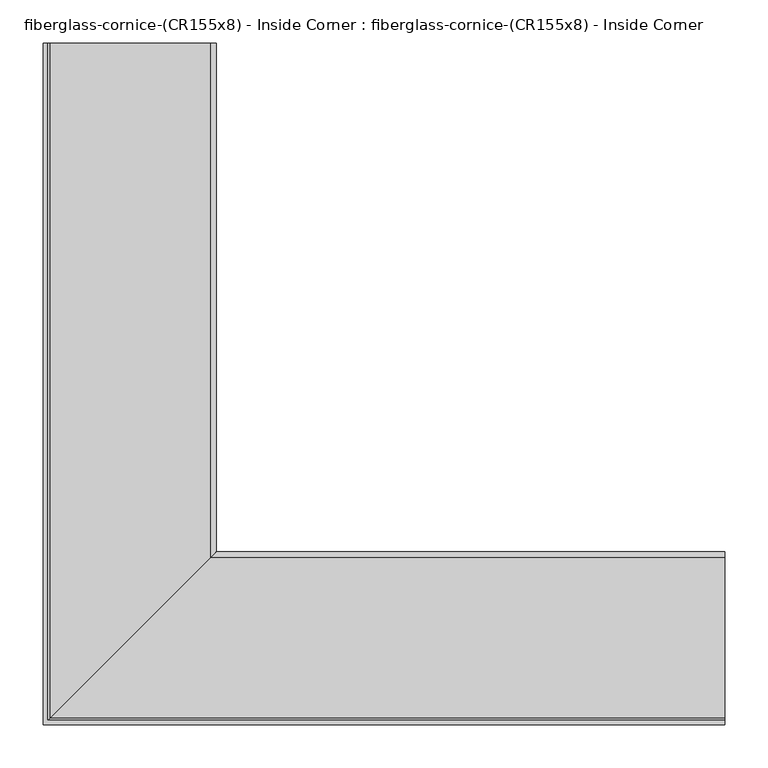
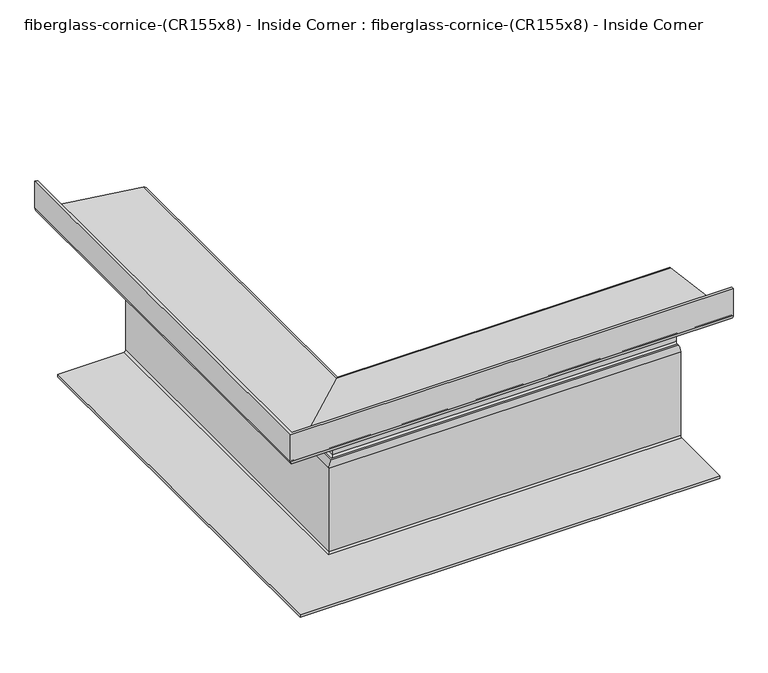
"""IFC4 building model written with IfcOpenShell, lengths in millimetres: furniture geometry, fiberglass-cornice-(CR155x8) - Inside Corner : fiberglass-cornice-(CR155x8) - Inside Corner."""

import ifcopenshell
import ifcopenshell.guid

model = None  # the IFC model being written
_history = None  # IfcOwnerHistory: only IFC2X3 demands one
_inside = {}  # id of a spatial element -> (the spatial element, [elements in it])
_under = {}  # id of a project, library or spatial element -> (it, [spatial elements below it])
_declared = {}  # id of a project -> (the project, [libraries it declares])
_typed = {}  # id of a type object -> (the type object, [elements of that type])
_made_of = {}  # id of a material, layer set ... -> (it, [elements and type objects made of it])


def new_model(schema):
    """Start an empty IFC model of exactly this schema.

    Asked for "IFC4X3", IfcOpenShell would pick the latest addendum, in which some entities
    have other attributes; the version numbers below select the first issue.
    IFC2X3 requires an IfcOwnerHistory on every rooted entity: one is made here for all.
    """
    global model, _history
    if schema == "IFC4X3":
        model = ifcopenshell.file(schema_version=(4, 3, 0, 0))
    else:
        model = ifcopenshell.file(schema=schema)
    _inside.clear()
    _under.clear()
    _declared.clear()
    _typed.clear()
    _made_of.clear()
    _history = None
    if model.schema == "IFC2X3":
        org = make("IfcOrganization", Name="unknown")
        user = make(
            "IfcPersonAndOrganization",
            ThePerson=make("IfcPerson", FamilyName="unknown"),
            TheOrganization=org,
        )
        app = make(
            "IfcApplication",
            ApplicationDeveloper=org,
            Version="unknown",
            ApplicationFullName="unknown",
            ApplicationIdentifier="unknown",
        )
        _history = make(
            "IfcOwnerHistory",
            OwningUser=user,
            OwningApplication=app,
            ChangeAction="ADDED",
            CreationDate=0,
        )
    return model


def make(cls, **values):
    """One entity of the class cls with the attributes given. An attribute that is None is left unset."""
    return model.create_entity(
        cls, **{name: value for name, value in values.items() if value is not None}
    )


def rooted(cls, **values):
    """An entity with a GlobalId (a new one), such as an element, a storey or a relation."""
    return make(cls, GlobalId=ifcopenshell.guid.new(), OwnerHistory=_history, **values)


def si_unit(unit_type, name, prefix=None):
    """IfcSIUnit, for example si_unit("LENGTHUNIT", "METRE", prefix="MILLI")."""
    return make("IfcSIUnit", UnitType=unit_type, Prefix=prefix, Name=name)


def assignment(units):
    """IfcUnitAssignment: the units of a project."""
    return None if units is None else make("IfcUnitAssignment", Units=units)


def point(xyz):
    """IfcCartesianPoint."""
    return None if xyz is None else make("IfcCartesianPoint", Coordinates=xyz)


def direction(xyz):
    """IfcDirection."""
    return None if xyz is None else make("IfcDirection", DirectionRatios=xyz)


def frame(location, z_axis=None, x_axis=None):
    """IfcAxis2Placement3D, a coordinate frame: its origin and axes. An axis left out is left unset."""
    return make(
        "IfcAxis2Placement3D",
        Location=point(location),
        Axis=direction(z_axis),
        RefDirection=direction(x_axis),
    )


def origin():
    """The frame at (0, 0, 0) with its axes left unset."""
    return frame((0.0, 0.0, 0.0))


def place(relative_to, where):
    """IfcLocalPlacement: puts the frame where relative to a parent placement (None: the world)."""
    return make(
        "IfcLocalPlacement", PlacementRelTo=relative_to, RelativePlacement=where
    )


def context(
    kind, dimensions, precision=None, world=None, true_north=None, identifier=None
):
    """IfcGeometricRepresentationContext, for example the 3D "Model" context."""
    return make(
        "IfcGeometricRepresentationContext",
        ContextIdentifier=identifier,
        ContextType=kind,
        CoordinateSpaceDimension=dimensions,
        Precision=precision,
        WorldCoordinateSystem=world,
        TrueNorth=true_north,
    )


def project(units=None, contexts=None):
    """IfcProject with its units and contexts."""
    return rooted(
        "IfcProject",
        Name="project",
        RepresentationContexts=contexts,
        UnitsInContext=assignment(units),
    )


def spatial(cls, under=None, at=None, **own):
    """A site, building, storey or space (cls), placed at a placement, below another one or the project."""
    s = rooted(cls, ObjectPlacement=at, **own)
    if under is not None:
        _under.setdefault(under.id(), (under, []))[1].append(s)
    return s


def polyline(points):
    """IfcPolyline through the points."""
    return make("IfcPolyline", Points=[point(p) for p in points])


def circle_curve(where, radius):
    """IfcCircle in the frame where."""
    return make("IfcCircle", Position=where, Radius=radius)


def ellipse_curve(where, semi_axis1, semi_axis2):
    """IfcEllipse in the frame where."""
    return make(
        "IfcEllipse", Position=where, SemiAxis1=semi_axis1, SemiAxis2=semi_axis2
    )


def shape(context_of_items, identifier, shape_type, items):
    """IfcShapeRepresentation: the items that make up one representation, for example the "Body"."""
    return make(
        "IfcShapeRepresentation",
        ContextOfItems=context_of_items,
        RepresentationIdentifier=identifier,
        RepresentationType=shape_type,
        Items=items,
    )


def source(mapping_origin, context_of_items, identifier, shape_type, items):
    """IfcRepresentationMap: a shape defined once, which mapped items show again and again."""
    return make(
        "IfcRepresentationMap",
        MappingOrigin=mapping_origin,
        MappedRepresentation=shape(context_of_items, identifier, shape_type, items),
    )


def transform(
    local_origin,
    x_axis=None,
    y_axis=None,
    z_axis=None,
    scale=None,
    scale2=None,
    scale3=None,
    uniform=True,
):
    """IfcCartesianTransformationOperator3D, or its non-uniform kind. x_axis, y_axis, z_axis: its Axis1, 2, 3."""
    if uniform:
        return make(
            "IfcCartesianTransformationOperator3D",
            Axis1=direction(x_axis),
            Axis2=direction(y_axis),
            LocalOrigin=point(local_origin),
            Scale=scale,
            Axis3=direction(z_axis),
        )
    return make(
        "IfcCartesianTransformationOperator3DnonUniform",
        Axis1=direction(x_axis),
        Axis2=direction(y_axis),
        LocalOrigin=point(local_origin),
        Scale=scale,
        Axis3=direction(z_axis),
        Scale2=scale2,
        Scale3=scale3,
    )


def mapped(mapping_source, mapping_target):
    """IfcMappedItem: shows the shape of a source again, moved by a transform."""
    return make(
        "IfcMappedItem", MappingSource=mapping_source, MappingTarget=mapping_target
    )


def made_of(thing, what):
    """Note that an element or type object is made of a material, layer set ...; save() writes the relation."""
    if what is not None:
        _made_of.setdefault(what.id(), (what, []))[1].append(thing)
    return thing


def element(
    cls,
    number,
    at=None,
    inside=None,
    cuts=None,
    type_object=None,
    material=None,
    context=None,
    identifier="Body",
    shape_type=None,
    held_by="IfcProductDefinitionShape",
    body=None,
    shapes=None,
    **own,
):
    """One element of the class cls, such as IfcWall. Its Tag is "e" and its number.

    at: its placement. inside: the storey or other place that contains it. cuts: it is an
    opening in that element (IfcRelVoidsElement). A single representation is given by context,
    identifier, shape_type and body (its items); several are given by shapes. held_by: the class
    of the entity that holds the representations. save() writes the other relations.
    """
    e = rooted(cls, Tag="e%d" % number, ObjectPlacement=at, **own)
    if body is not None:
        shapes = [shape(context, identifier, shape_type, body)]
    if shapes is not None:
        e.Representation = make(held_by, Representations=shapes)
    if inside is not None:
        _inside.setdefault(inside.id(), (inside, []))[1].append(e)
    if cuts is not None:
        rooted(
            "IfcRelVoidsElement", RelatingBuildingElement=cuts, RelatedOpeningElement=e
        )
    if type_object is not None:
        _typed.setdefault(type_object.id(), (type_object, []))[1].append(e)
    return made_of(e, material)


def aggregate(whole, parts):
    """IfcRelAggregates: a whole, such as a stair, and the parts it consists of."""
    return rooted("IfcRelAggregates", RelatingObject=whole, RelatedObjects=parts)


def save(model, path):
    """Write the relations noted so far, then the file.

    IfcRelAggregates (storeys below a building ...), IfcRelContainedInSpatialStructure (elements
    in a storey), IfcRelDefinesByType, IfcRelAssociatesMaterial and IfcRelDeclares: one each for
    every whole, place, type object, material and project.
    """
    for whole, parts in _under.values():
        aggregate(whole, parts)
    for where, things in _inside.values():
        rooted(
            "IfcRelContainedInSpatialStructure",
            RelatedElements=things,
            RelatingStructure=where,
        )
    for kind, things in _typed.values():
        rooted("IfcRelDefinesByType", RelatedObjects=things, RelatingType=kind)
    for what, things in _made_of.values():
        rooted("IfcRelAssociatesMaterial", RelatedObjects=things, RelatingMaterial=what)
    for by, libraries in _declared.values():
        rooted("IfcRelDeclares", RelatingContext=by, RelatedDefinitions=libraries)
    model.write(path)


def plane_surface(at):
    """IfcPlane: the flat surface through the origin of the frame at, square to its z axis."""
    return make("IfcPlane", Position=at)


def cylinder_surface(at, radius):
    """IfcCylindricalSurface: all points at the distance radius from the z axis of the frame at."""
    return make("IfcCylindricalSurface", Position=at, Radius=radius)


def revolved_surface(curve, axis_point, axis_direction):
    """IfcSurfaceOfRevolution: the curve turned about the line through axis_point along axis_direction."""
    return make(
        "IfcSurfaceOfRevolution",
        SweptCurve=make("IfcArbitraryOpenProfileDef", ProfileType="CURVE", Curve=curve),
        AxisPosition=make("IfcAxis1Placement", Location=point(axis_point), Axis=direction(axis_direction)),
    )


def advanced_brep(points, edges, surfaces, faces):
    """IfcAdvancedBrep: a solid bounded by faces that lie on surfaces and meet in shared edges.

    An edge is (start, end): straight between two places in points (the first is 0);
    or (start, end, curve); or (start, end, curve, False) where it runs against its curve.
    A face is (place in surfaces, loops), or (place, loops, False) where it looks against
    its surface's normal. A loop lists edges by number (the first is 1), with a minus sign
    where the edge is run from its end to its start. The first loop is the outer one.
    """
    corners = [point(p) for p in points]
    vertices = [make("IfcVertexPoint", VertexGeometry=c) for c in corners]
    made = []
    for start, end, *more in edges:
        made.append(
            make(
                "IfcEdgeCurve",
                EdgeStart=vertices[start],
                EdgeEnd=vertices[end],
                EdgeGeometry=more[0] if more else make("IfcPolyline", Points=[corners[start], corners[end]]),
                SameSense=more[1] if len(more) > 1 else True,
            )
        )
    hull = []
    for where, loops, *sense in faces:
        bounds = []
        for j, loop in enumerate(loops):
            ring = [make("IfcOrientedEdge", EdgeElement=made[abs(k) - 1], Orientation=k > 0) for k in loop]
            bounds.append(
                make(
                    "IfcFaceOuterBound" if j == 0 else "IfcFaceBound",
                    Bound=make("IfcEdgeLoop", EdgeList=ring),
                    Orientation=True,
                )
            )
        hull.append(make("IfcAdvancedFace", Bounds=bounds, FaceSurface=surfaces[where], SameSense=sense[0] if sense else True))
    return make("IfcAdvancedBrep", Outer=make("IfcClosedShell", CfsFaces=hull))


def fiberglass_cornice_cr155x8_inside_corner_fiberglass_cornice_0ee23426(model_context):
    return source(origin(), model_context, "Body", "AdvancedBrep", [
        advanced_brep(
        [(-388.8685293, 888.603125, 330.1999904), (-388.8685293, 888.603125, 279.5805109), (-386.1097893, 888.603125, 276.4329162), (-201.0245885, 888.603125, 251.9559474), (-194.0678157, 888.603125, 244.0185913), (-194.0678157, 888.603125, 210.0445639), (-202.0742803, 888.603125, 202.0380993), (-203.7779392, 888.603125, 202.0380993), (-203.7779392, 888.603125, 205.2130993), (-206.7678157, 888.603125, 205.2130993), (-206.7678157, 888.603125, 202.0380993), (-209.9058113, 888.603125, 202.0380993), (-213.0808113, 888.603125, 198.8630993), (-213.0808113, 888.603125, 124.2598077), (-221.0872759, 888.603125, 116.2533432), (-224.1933101, 888.603125, 116.2533432), (-227.3683101, 888.603125, 113.0783432), (-227.3683101, 888.603125, -43.9554119), (-235.3747747, 888.603125, -51.9618765), (-352.7808101, 888.603125, -51.9618765), (-352.7808101, 888.603125, -47.1304119), (-235.3747747, 888.603125, -47.1304119), (-232.1997747, 888.603125, -43.9554119), (-232.1997747, 888.603125, 113.0783432), (-224.1933101, 888.603125, 121.0848077), (-221.0872759, 888.603125, 121.0848077), (-217.9122759, 888.603125, 124.2598077), (-217.9122759, 888.603125, 203.6945639), (-209.9058113, 888.603125, 211.7010285), (-202.0742803, 888.603125, 211.7010285), (-198.8992803, 888.603125, 214.8760285), (-198.8992803, 888.603125, 244.0185913), (-201.6580202, 888.603125, 247.166186), (-386.7432211, 888.603125, 271.6431548), (-393.6999938, 888.603125, 279.5805109), (-393.6999938, 888.603125, 330.1999904), (393.6999938, 106.0345896, 330.1999904), (393.6999938, 101.203125, 330.1999904), (393.6999938, 101.203125, 279.5805109), (393.6999938, 108.1598978, 271.6431548), (393.6999938, 293.2450986, 247.166186), (393.6999938, 296.0038386, 244.0185913), (393.6999938, 296.0038386, 214.8760285), (393.6999938, 292.8288386, 211.7010285), (393.6999938, 284.9973076, 211.7010285), (393.6999938, 276.990843, 203.6945639), (393.6999938, 276.990843, 124.2598077), (393.6999938, 273.815843, 121.0848077), (393.6999938, 270.7098087, 121.0848077), (393.6999938, 262.7033442, 113.0783432), (393.6999938, 262.7033442, -43.9554119), (393.6999938, 259.5283442, -47.1304119), (393.6999938, 142.1223087, -47.1304119), (393.6999938, 142.1223087, -51.9618765), (393.6999938, 259.5283442, -51.9618765), (393.6999938, 267.5348087, -43.9554119), (393.6999938, 267.5348087, 113.0783432), (393.6999938, 270.7098087, 116.2533432), (393.6999938, 273.815843, 116.2533432), (393.6999938, 281.8223076, 124.2598077), (393.6999938, 281.8223076, 198.8630993), (393.6999938, 284.9973076, 202.0380993), (393.6999938, 288.1353031, 202.0380993), (393.6999938, 288.1353031, 205.2130993), (393.6999938, 291.1251796, 205.2130993), (393.6999938, 291.1251796, 202.0380993), (393.6999938, 292.8288386, 202.0380993), (393.6999938, 300.8353031, 210.0445639), (393.6999938, 300.8353031, 244.0185913), (393.6999938, 293.8785304, 251.9559474), (393.6999938, 108.7933295, 276.4329162), (393.6999938, 106.0345896, 279.5805109), (-388.8685293, 106.0345896, 330.1999904), (-388.8685293, 106.0345896, 279.5805109), (-386.1097893, 108.7933295, 276.4329162), (-201.0245885, 293.8785304, 251.9559474), (-194.0678157, 300.8353031, 244.0185913), (-194.0678157, 300.8353031, 210.0445639), (-202.0742803, 292.8288386, 202.0380993), (-203.7779392, 291.1251796, 202.0380993), (-203.7779392, 291.1251796, 205.2130993), (-206.7678157, 288.1353031, 205.2130993), (-206.7678157, 288.1353031, 202.0380993), (-209.9058113, 284.9973076, 202.0380993), (-213.0808113, 281.8223076, 198.8630993), (-213.0808113, 281.8223076, 124.2598077), (-221.0872759, 273.815843, 116.2533432), (-224.1933101, 270.7098087, 116.2533432), (-227.3683101, 267.5348087, 113.0783432), (-227.3683101, 267.5348087, -43.9554119), (-235.3747747, 259.5283442, -51.9618765), (-352.7808101, 142.1223087, -51.9618765), (-352.7808101, 142.1223087, -47.1304119), (-235.3747747, 259.5283442, -47.1304119), (-232.1997747, 262.7033442, -43.9554119), (-232.1997747, 262.7033442, 113.0783432), (-224.1933101, 270.7098087, 121.0848077), (-221.0872759, 273.815843, 121.0848077), (-217.9122759, 276.990843, 124.2598077), (-217.9122759, 276.990843, 203.6945639), (-209.9058113, 284.9973076, 211.7010285), (-202.0742803, 292.8288386, 211.7010285), (-198.8992803, 296.0038386, 214.8760285), (-198.8992803, 296.0038386, 244.0185913), (-201.6580202, 293.2450986, 247.166186), (-386.7432211, 108.1598978, 271.6431548), (-393.6999938, 101.203125, 279.5805109), (-393.6999938, 101.203125, 330.1999904)],
        [
            (0, 1),
            (1, 2, circle_curve(frame((-385.6935293, 888.603125, 279.5805109), z_axis=(0.0, -1.0, 0.0), x_axis=(1.0, 0.0, 0.0)), 3.175)),
            (2, 3),
            (3, 4, circle_curve(frame((-202.0742803, 888.603125, 244.0185913), z_axis=(0.0, 1.0, 0.0), x_axis=(1.0, 0.0, 0.0)), 8.0064646)),
            (4, 5),
            (5, 6, circle_curve(frame((-202.0742803, 888.603125, 210.0445639), z_axis=(0.0, 1.0, 0.0), x_axis=(1.0, 0.0, 0.0)), 8.0064646)),
            (6, 7),
            (7, 8),
            (8, 9),
            (9, 10),
            (10, 11),
            (11, 12, circle_curve(frame((-209.9058113, 888.603125, 198.8630993), z_axis=(0.0, -1.0, 0.0), x_axis=(1.0, 0.0, 0.0)), 3.175)),
            (12, 13),
            (13, 14, circle_curve(frame((-221.0872759, 888.603125, 124.2598077), z_axis=(0.0, 1.0, 0.0), x_axis=(1.0, 0.0, 0.0)), 8.0064646)),
            (14, 15),
            (15, 16, circle_curve(frame((-224.1933101, 888.603125, 113.0783432), z_axis=(0.0, -1.0, 0.0), x_axis=(1.0, 0.0, 0.0)), 3.175)),
            (16, 17),
            (17, 18, circle_curve(frame((-235.3747747, 888.603125, -43.9554119), z_axis=(0.0, 1.0, 0.0), x_axis=(1.0, 0.0, 0.0)), 8.0064646)),
            (18, 19),
            (19, 20),
            (20, 21),
            (21, 22, circle_curve(frame((-235.3747747, 888.603125, -43.9554119), z_axis=(0.0, -1.0, 0.0), x_axis=(1.0, 0.0, 0.0)), 3.175)),
            (22, 23),
            (23, 24, circle_curve(frame((-224.1933101, 888.603125, 113.0783432), z_axis=(0.0, 1.0, 0.0), x_axis=(1.0, 0.0, 0.0)), 8.0064646)),
            (24, 25),
            (25, 26, circle_curve(frame((-221.0872759, 888.603125, 124.2598077), z_axis=(0.0, -1.0, 0.0), x_axis=(1.0, 0.0, 0.0)), 3.175)),
            (26, 27),
            (27, 28, circle_curve(frame((-209.9058113, 888.603125, 203.6945639), z_axis=(0.0, 1.0, 0.0), x_axis=(1.0, 0.0, 0.0)), 8.0064646)),
            (28, 29),
            (29, 30, circle_curve(frame((-202.0742803, 888.603125, 214.8760285), z_axis=(0.0, -1.0, 0.0), x_axis=(1.0, 0.0, 0.0)), 3.175)),
            (30, 31),
            (31, 32, circle_curve(frame((-202.0742803, 888.603125, 244.0185913), z_axis=(0.0, -1.0, 0.0), x_axis=(1.0, 0.0, 0.0)), 3.175)),
            (32, 33),
            (33, 34, circle_curve(frame((-385.6935293, 888.603125, 279.5805109), z_axis=(0.0, 1.0, 0.0), x_axis=(1.0, 0.0, 0.0)), 8.0064646)),
            (34, 35),
            (35, 0),
            (36, 37),
            (37, 38),
            (38, 39, circle_curve(frame((393.6999938, 109.2095896, 279.5805109), z_axis=(1.0, 0.0, 0.0), x_axis=(0.0, 1.0, 0.0)), 8.0064646)),
            (39, 40),
            (40, 41, circle_curve(frame((393.6999938, 292.8288386, 244.0185913), z_axis=(-1.0, 0.0, 0.0), x_axis=(0.0, 1.0, 0.0)), 3.175)),
            (41, 42),
            (42, 43, circle_curve(frame((393.6999938, 292.8288386, 214.8760285), z_axis=(-1.0, 0.0, 0.0), x_axis=(0.0, 1.0, 0.0)), 3.175)),
            (43, 44),
            (44, 45, circle_curve(frame((393.6999938, 284.9973076, 203.6945639), z_axis=(1.0, 0.0, 0.0), x_axis=(0.0, 1.0, 0.0)), 8.0064646)),
            (45, 46),
            (46, 47, circle_curve(frame((393.6999938, 273.815843, 124.2598077), z_axis=(-1.0, 0.0, 0.0), x_axis=(0.0, 1.0, 0.0)), 3.175)),
            (47, 48),
            (48, 49, circle_curve(frame((393.6999938, 270.7098087, 113.0783432), z_axis=(1.0, 0.0, 0.0), x_axis=(0.0, 1.0, 0.0)), 8.0064646)),
            (49, 50),
            (50, 51, circle_curve(frame((393.6999938, 259.5283442, -43.9554119), z_axis=(-1.0, 0.0, 0.0), x_axis=(0.0, 1.0, 0.0)), 3.175)),
            (51, 52),
            (52, 53),
            (53, 54),
            (54, 55, circle_curve(frame((393.6999938, 259.5283442, -43.9554119), z_axis=(1.0, 0.0, 0.0), x_axis=(0.0, 1.0, 0.0)), 8.0064646)),
            (55, 56),
            (56, 57, circle_curve(frame((393.6999938, 270.7098087, 113.0783432), z_axis=(-1.0, 0.0, 0.0), x_axis=(0.0, 1.0, 0.0)), 3.175)),
            (57, 58),
            (58, 59, circle_curve(frame((393.6999938, 273.815843, 124.2598077), z_axis=(1.0, 0.0, 0.0), x_axis=(0.0, 1.0, 0.0)), 8.0064646)),
            (59, 60),
            (60, 61, circle_curve(frame((393.6999938, 284.9973076, 198.8630993), z_axis=(-1.0, 0.0, 0.0), x_axis=(0.0, 1.0, 0.0)), 3.175)),
            (61, 62),
            (62, 63),
            (63, 64),
            (64, 65),
            (65, 66),
            (66, 67, circle_curve(frame((393.6999938, 292.8288386, 210.0445639), z_axis=(1.0, 0.0, 0.0), x_axis=(0.0, 1.0, 0.0)), 8.0064646)),
            (67, 68),
            (68, 69, circle_curve(frame((393.6999938, 292.8288386, 244.0185913), z_axis=(1.0, 0.0, 0.0), x_axis=(0.0, 1.0, 0.0)), 8.0064646)),
            (69, 70),
            (70, 71, circle_curve(frame((393.6999938, 109.2095896, 279.5805109), z_axis=(-1.0, 0.0, 0.0), x_axis=(0.0, 1.0, 0.0)), 3.175)),
            (71, 36),
            (0, 72),
            (72, 73),
            (73, 1),
            (73, 74, ellipse_curve(frame((-385.6935293, 109.2095896, 279.5805109), z_axis=(0.7071067811865475, -0.7071067811865475, 0.0), x_axis=(-0.7071067811865474, -0.7071067811865476, 0.0)), 4.4901281, 3.175)),
            (74, 2),
            (74, 75),
            (75, 3),
            (75, 76, ellipse_curve(frame((-202.0742803, 292.8288386, 244.0185913), z_axis=(-0.7071067811865475, 0.7071067811865475, 0.0), x_axis=(0.7071067811865474, 0.7071067811865476, 0.0)), 11.3228508, 8.0064646)),
            (76, 4),
            (76, 77),
            (77, 5),
            (77, 78, ellipse_curve(frame((-202.0742803, 292.8288386, 210.0445639), z_axis=(-0.7071067811865475, 0.7071067811865475, 0.0), x_axis=(0.7071067811865474, 0.7071067811865476, 0.0)), 11.3228508, 8.0064646)),
            (78, 6),
            (78, 66),
            (65, 79),
            (79, 7),
            (79, 80),
            (80, 8),
            (80, 64),
            (63, 81),
            (81, 9),
            (81, 82),
            (82, 10),
            (82, 62),
            (61, 83),
            (83, 11),
            (83, 84, ellipse_curve(frame((-209.9058113, 284.9973076, 198.8630993), z_axis=(0.7071067811865475, -0.7071067811865475, 0.0), x_axis=(-0.7071067811865474, -0.7071067811865476, 0.0)), 4.4901281, 3.175)),
            (84, 12),
            (84, 85),
            (85, 13),
            (85, 86, ellipse_curve(frame((-221.0872759, 273.815843, 124.2598077), z_axis=(-0.7071067811865475, 0.7071067811865475, 0.0), x_axis=(0.7071067811865474, 0.7071067811865476, 0.0)), 11.3228508, 8.0064646)),
            (86, 14),
            (86, 58),
            (57, 87),
            (87, 15),
            (87, 88, ellipse_curve(frame((-224.1933101, 270.7098087, 113.0783432), z_axis=(0.7071067811865475, -0.7071067811865475, 0.0), x_axis=(-0.7071067811865474, -0.7071067811865476, 0.0)), 4.4901281, 3.175)),
            (88, 16),
            (88, 89),
            (89, 17),
            (89, 90, ellipse_curve(frame((-235.3747747, 259.5283442, -43.9554119), z_axis=(-0.7071067811865475, 0.7071067811865475, 0.0), x_axis=(0.7071067811865474, 0.7071067811865476, 0.0)), 11.3228508, 8.0064646)),
            (90, 18),
            (90, 54),
            (53, 91),
            (91, 19),
            (91, 92),
            (92, 20),
            (92, 52),
            (51, 93),
            (93, 21),
            (93, 94, ellipse_curve(frame((-235.3747747, 259.5283442, -43.9554119), z_axis=(0.7071067811865475, -0.7071067811865475, 0.0), x_axis=(-0.7071067811865474, -0.7071067811865476, 0.0)), 4.4901281, 3.175)),
            (94, 22),
            (94, 95),
            (95, 23),
            (95, 96, ellipse_curve(frame((-224.1933101, 270.7098087, 113.0783432), z_axis=(-0.7071067811865475, 0.7071067811865475, 0.0), x_axis=(0.7071067811865474, 0.7071067811865476, 0.0)), 11.3228508, 8.0064646)),
            (96, 24),
            (96, 48),
            (47, 97),
            (97, 25),
            (97, 98, ellipse_curve(frame((-221.0872759, 273.815843, 124.2598077), z_axis=(0.7071067811865475, -0.7071067811865475, 0.0), x_axis=(-0.7071067811865474, -0.7071067811865476, 0.0)), 4.4901281, 3.175)),
            (98, 26),
            (98, 99),
            (99, 27),
            (99, 100, ellipse_curve(frame((-209.9058113, 284.9973076, 203.6945639), z_axis=(-0.7071067811865475, 0.7071067811865475, 0.0), x_axis=(0.7071067811865474, 0.7071067811865476, 0.0)), 11.3228508, 8.0064646)),
            (100, 28),
            (100, 44),
            (43, 101),
            (101, 29),
            (101, 102, ellipse_curve(frame((-202.0742803, 292.8288386, 214.8760285), z_axis=(0.7071067811865475, -0.7071067811865475, 0.0), x_axis=(-0.7071067811865474, -0.7071067811865476, 0.0)), 4.4901281, 3.175)),
            (102, 30),
            (102, 103),
            (103, 31),
            (103, 104, ellipse_curve(frame((-202.0742803, 292.8288386, 244.0185913), z_axis=(0.7071067811865475, -0.7071067811865475, 0.0), x_axis=(-0.7071067811865474, -0.7071067811865476, 0.0)), 4.4901281, 3.175)),
            (104, 32),
            (104, 105),
            (105, 33),
            (105, 106, ellipse_curve(frame((-385.6935293, 109.2095896, 279.5805109), z_axis=(-0.7071067811865475, 0.7071067811865475, 0.0), x_axis=(0.7071067811865474, 0.7071067811865476, 0.0)), 11.3228508, 8.0064646)),
            (106, 34),
            (106, 107),
            (107, 35),
            (107, 37),
            (36, 72),
            (71, 73),
            (70, 74),
            (69, 75),
            (68, 76),
            (67, 77),
            (60, 84),
            (59, 85),
            (56, 88),
            (55, 89),
            (50, 94),
            (49, 95),
            (46, 98),
            (45, 99),
            (42, 102),
            (41, 103),
            (40, 104),
            (39, 105),
            (38, 106),
        ],
        [
            plane_surface(frame((-393.6999938, 888.603125, 330.1999904), z_axis=(0.0, 1.0, 0.0), x_axis=(0.0, 0.0, 1.0))),
            plane_surface(frame((393.6999938, 101.203125, 330.1999904), z_axis=(1.0, 0.0, 0.0), x_axis=(0.0, 0.0, 1.0))),
            plane_surface(frame((-388.8685293, 888.603125, 330.1999904), z_axis=(1.0, 0.0, 0.0), x_axis=(0.0, -1.0, 0.0))),
            revolved_surface(polyline([(-382.5185293, 106.03458957209364, 279.5805109), (-382.5185293, 888.603125, 279.5805109)]), (-385.6935293, 888.603125, 279.5805109), (0.0, -1.0, 0.0)),
            plane_surface(frame((-386.1097893, 888.603125, 276.4329162), z_axis=(0.13110553246130752, 0.0, 0.9913684175714078), x_axis=(0.0, -1.0, 0.0))),
            cylinder_surface(frame((-202.0742803, 888.603125, 244.0185913), z_axis=(0.0, 1.0, 0.0), x_axis=(1.0, 0.0, 0.0)), 8.0064646),
            plane_surface(frame((-194.0678157, 888.603125, 244.0185913), z_axis=(1.0, 0.0, 0.0), x_axis=(0.0, -1.0, 0.0))),
            cylinder_surface(frame((-202.0742803, 888.603125, 210.0445639), z_axis=(0.0, 1.0, 0.0), x_axis=(1.0, 0.0, 0.0)), 8.0064646),
            plane_surface(frame((-202.0742803, 888.603125, 202.0380993), z_axis=(0.0, 0.0, -1.0), x_axis=(0.0, -1.0, 0.0))),
            plane_surface(frame((-203.7779392, 888.603125, 202.0380993), z_axis=(-1.0, 0.0, 0.0), x_axis=(0.0, -1.0, 0.0))),
            plane_surface(frame((-203.7779392, 888.603125, 205.2130993), z_axis=(0.0, 0.0, -1.0), x_axis=(0.0, -1.0, 0.0))),
            plane_surface(frame((-206.7678157, 888.603125, 205.2130993), z_axis=(1.0, 0.0, 0.0), x_axis=(0.0, -1.0, 0.0))),
            plane_surface(frame((-206.7678157, 888.603125, 202.0380993), z_axis=(0.0, 0.0, -1.0), x_axis=(0.0, -1.0, 0.0))),
            revolved_surface(polyline([(-206.7308113, 281.8223075720937, 198.8630993), (-206.7308113, 888.603125, 198.8630993)]), (-209.9058113, 888.603125, 198.8630993), (0.0, -1.0, 0.0)),
            plane_surface(frame((-213.0808113, 888.603125, 198.8630993), z_axis=(1.0, 0.0, 0.0), x_axis=(0.0, -1.0, 0.0))),
            cylinder_surface(frame((-221.0872759, 888.603125, 124.2598077), z_axis=(0.0, 1.0, 0.0), x_axis=(1.0, 0.0, 0.0)), 8.0064646),
            plane_surface(frame((-221.0872759, 888.603125, 116.2533432), z_axis=(0.0, 0.0, -1.0), x_axis=(0.0, -1.0, 0.0))),
            revolved_surface(polyline([(-221.01831009999998, 267.53480867209373, 113.0783432), (-221.01831009999998, 888.603125, 113.0783432)]), (-224.1933101, 888.603125, 113.0783432), (0.0, -1.0, 0.0)),
            plane_surface(frame((-227.3683101, 888.603125, 113.0783432), z_axis=(1.0, 0.0, 0.0), x_axis=(0.0, -1.0, 0.0))),
            cylinder_surface(frame((-235.3747747, 888.603125, -43.9554119), z_axis=(0.0, 1.0, 0.0), x_axis=(1.0, 0.0, 0.0)), 8.0064646),
            plane_surface(frame((-235.3747747, 888.603125, -51.9618765), z_axis=(0.0, 0.0, -1.0), x_axis=(0.0, -1.0, 0.0))),
            plane_surface(frame((-352.7808101, 888.603125, -51.9618765), z_axis=(-1.0, 0.0, 0.0), x_axis=(0.0, -1.0, 0.0))),
            plane_surface(frame((-352.7808101, 888.603125, -47.1304119), z_axis=(0.0, 0.0, 1.0), x_axis=(0.0, -1.0, 0.0))),
            revolved_surface(polyline([(-232.19977469999998, 256.35334417209367, -43.9554119), (-232.19977469999998, 888.603125, -43.9554119)]), (-235.3747747, 888.603125, -43.9554119), (0.0, -1.0, 0.0)),
            plane_surface(frame((-232.1997747, 888.603125, -43.9554119), z_axis=(-1.0, 0.0, 0.0), x_axis=(0.0, -1.0, 0.0))),
            cylinder_surface(frame((-224.1933101, 888.603125, 113.0783432), z_axis=(0.0, 1.0, 0.0), x_axis=(1.0, 0.0, 0.0)), 8.0064646),
            plane_surface(frame((-224.1933101, 888.603125, 121.0848077), z_axis=(0.0, 0.0, 1.0), x_axis=(0.0, -1.0, 0.0))),
            revolved_surface(polyline([(-217.9122759, 270.64084297209365, 124.2598077), (-217.9122759, 888.603125, 124.2598077)]), (-221.0872759, 888.603125, 124.2598077), (0.0, -1.0, 0.0)),
            plane_surface(frame((-217.9122759, 888.603125, 124.2598077), z_axis=(-1.0, 0.0, 0.0), x_axis=(0.0, -1.0, 0.0))),
            cylinder_surface(frame((-209.9058113, 888.603125, 203.6945639), z_axis=(0.0, 1.0, 0.0), x_axis=(1.0, 0.0, 0.0)), 8.0064646),
            plane_surface(frame((-209.9058113, 888.603125, 211.7010285), z_axis=(0.0, 0.0, 1.0), x_axis=(0.0, -1.0, 0.0))),
            revolved_surface(polyline([(-198.8992803, 289.6538385720937, 214.8760285), (-198.8992803, 888.603125, 214.8760285)]), (-202.0742803, 888.603125, 214.8760285), (0.0, -1.0, 0.0)),
            plane_surface(frame((-198.8992803, 888.603125, 214.8760285), z_axis=(-1.0, 0.0, 0.0), x_axis=(0.0, -1.0, 0.0))),
            revolved_surface(polyline([(-198.8992803, 289.6538385720937, 244.0185913), (-198.8992803, 888.603125, 244.0185913)]), (-202.0742803, 888.603125, 244.0185913), (0.0, -1.0, 0.0)),
            plane_surface(frame((-201.6580202, 888.603125, 247.166186), z_axis=(-0.13110553246131001, 0.0, -0.9913684175714075), x_axis=(0.0, -1.0, 0.0))),
            cylinder_surface(frame((-385.6935293, 888.603125, 279.5805109), z_axis=(0.0, 1.0, 0.0), x_axis=(1.0, 0.0, 0.0)), 8.0064646),
            plane_surface(frame((-393.6999938, 888.603125, 279.5805109), z_axis=(-1.0, 0.0, 0.0), x_axis=(0.0, -1.0, 0.0))),
            plane_surface(frame((-393.6999938, 888.603125, 330.1999904), z_axis=(0.0, 0.0, 1.0), x_axis=(0.0, -1.0, 0.0))),
            plane_surface(frame((-388.8685293, 106.0345896, 330.1999904), z_axis=(0.0, 1.0, 0.0), x_axis=(1.0, 0.0, 0.0))),
            revolved_surface(polyline([(393.6999938, 112.3845896, 279.5805109), (-388.8685293279063, 112.3845896, 279.5805109)]), (-393.6999938, 109.2095896, 279.5805109), (1.0, 0.0, 0.0)),
            plane_surface(frame((-386.1097893, 108.7933295, 276.4329162), z_axis=(0.0, 0.13110553246130752, 0.9913684175714078), x_axis=(1.0, 0.0, 0.0))),
            cylinder_surface(frame((-393.6999938, 292.8288386, 244.0185913), z_axis=(-1.0, 0.0, 0.0), x_axis=(0.0, 1.0, 0.0)), 8.0064646),
            plane_surface(frame((-194.0678157, 300.8353031, 244.0185913), z_axis=(0.0, 1.0, 0.0), x_axis=(1.0, 0.0, 0.0))),
            cylinder_surface(frame((-393.6999938, 292.8288386, 210.0445639), z_axis=(-1.0, 0.0, 0.0), x_axis=(0.0, 1.0, 0.0)), 8.0064646),
            plane_surface(frame((-203.7779392, 291.1251796, 202.0380993), z_axis=(0.0, -1.0, 0.0), x_axis=(1.0, 0.0, 0.0))),
            plane_surface(frame((-206.7678157, 288.1353031, 205.2130993), z_axis=(0.0, 1.0, 0.0), x_axis=(1.0, 0.0, 0.0))),
            revolved_surface(polyline([(393.6999938, 288.1723076, 198.8630993), (-213.08081132790628, 288.1723076, 198.8630993)]), (-393.6999938, 284.9973076, 198.8630993), (1.0, 0.0, 0.0)),
            plane_surface(frame((-213.0808113, 281.8223076, 198.8630993), z_axis=(0.0, 1.0, 0.0), x_axis=(1.0, 0.0, 0.0))),
            cylinder_surface(frame((-393.6999938, 273.815843, 124.2598077), z_axis=(-1.0, 0.0, 0.0), x_axis=(0.0, 1.0, 0.0)), 8.0064646),
            revolved_surface(polyline([(393.6999938, 273.8848087, 113.0783432), (-227.36831012790626, 273.8848087, 113.0783432)]), (-393.6999938, 270.7098087, 113.0783432), (1.0, 0.0, 0.0)),
            plane_surface(frame((-227.3683101, 267.5348087, 113.0783432), z_axis=(0.0, 1.0, 0.0), x_axis=(1.0, 0.0, 0.0))),
            cylinder_surface(frame((-393.6999938, 259.5283442, -43.9554119), z_axis=(-1.0, 0.0, 0.0), x_axis=(0.0, 1.0, 0.0)), 8.0064646),
            plane_surface(frame((-352.7808101, 142.1223087, -51.9618765), z_axis=(0.0, -1.0, 0.0), x_axis=(1.0, 0.0, 0.0))),
            revolved_surface(polyline([(393.6999938, 262.7033442, -43.9554119), (-238.54977472790625, 262.7033442, -43.9554119)]), (-393.6999938, 259.5283442, -43.9554119), (1.0, 0.0, 0.0)),
            plane_surface(frame((-232.1997747, 262.7033442, -43.9554119), z_axis=(0.0, -1.0, 0.0), x_axis=(1.0, 0.0, 0.0))),
            cylinder_surface(frame((-393.6999938, 270.7098087, 113.0783432), z_axis=(-1.0, 0.0, 0.0), x_axis=(0.0, 1.0, 0.0)), 8.0064646),
            revolved_surface(polyline([(393.6999938, 276.990843, 124.2598077), (-224.26227592790627, 276.990843, 124.2598077)]), (-393.6999938, 273.815843, 124.2598077), (1.0, 0.0, 0.0)),
            plane_surface(frame((-217.9122759, 276.990843, 124.2598077), z_axis=(0.0, -1.0, 0.0), x_axis=(1.0, 0.0, 0.0))),
            cylinder_surface(frame((-393.6999938, 284.9973076, 203.6945639), z_axis=(-1.0, 0.0, 0.0), x_axis=(0.0, 1.0, 0.0)), 8.0064646),
            revolved_surface(polyline([(393.6999938, 296.0038386, 214.8760285), (-205.24928032790626, 296.0038386, 214.8760285)]), (-393.6999938, 292.8288386, 214.8760285), (1.0, 0.0, 0.0)),
            plane_surface(frame((-198.8992803, 296.0038386, 214.8760285), z_axis=(0.0, -1.0, 0.0), x_axis=(1.0, 0.0, 0.0))),
            revolved_surface(polyline([(393.6999938, 296.0038386, 244.0185913), (-205.24928032790626, 296.0038386, 244.0185913)]), (-393.6999938, 292.8288386, 244.0185913), (1.0, 0.0, 0.0)),
            plane_surface(frame((-201.6580202, 293.2450986, 247.166186), z_axis=(0.0, -0.13110553246131001, -0.9913684175714075), x_axis=(1.0, 0.0, 0.0))),
            cylinder_surface(frame((-393.6999938, 109.2095896, 279.5805109), z_axis=(-1.0, 0.0, 0.0), x_axis=(0.0, 1.0, 0.0)), 8.0064646),
            plane_surface(frame((-393.6999938, 101.203125, 279.5805109), z_axis=(0.0, -1.0, 0.0), x_axis=(1.0, 0.0, 0.0))),
        ],
        [
            (0, [[1, 2, 3, 4, 5, 6, 7, 8, 9, 10, 11, 12, 13, 14, 15, 16, 17, 18, 19, 20, 21, 22, 23, 24, 25, 26, 27, 28, 29, 30, 31, 32, 33, 34, 35, 36]]),
            (1, [[37, 38, 39, 40, 41, 42, 43, 44, 45, 46, 47, 48, 49, 50, 51, 52, 53, 54, 55, 56, 57, 58, 59, 60, 61, 62, 63, 64, 65, 66, 67, 68, 69, 70, 71, 72]]),
            (2, [[-1, 73, 74, 75]]),
            (3, [[-2, -75, 76, 77]]),
            (4, [[-3, -77, 78, 79]]),
            (5, [[-4, -79, 80, 81]]),
            (6, [[-5, -81, 82, 83]]),
            (7, [[-6, -83, 84, 85]]),
            (8, [[-7, -85, 86, -66, 87, 88]]),
            (9, [[-8, -88, 89, 90]]),
            (10, [[-9, -90, 91, -64, 92, 93]]),
            (11, [[-10, -93, 94, 95]]),
            (12, [[-11, -95, 96, -62, 97, 98]]),
            (13, [[-12, -98, 99, 100]]),
            (14, [[-13, -100, 101, 102]]),
            (15, [[-14, -102, 103, 104]]),
            (16, [[-15, -104, 105, -58, 106, 107]]),
            (17, [[-16, -107, 108, 109]]),
            (18, [[-17, -109, 110, 111]]),
            (19, [[-18, -111, 112, 113]]),
            (20, [[-19, -113, 114, -54, 115, 116]]),
            (21, [[-20, -116, 117, 118]]),
            (22, [[-21, -118, 119, -52, 120, 121]]),
            (23, [[-22, -121, 122, 123]]),
            (24, [[-23, -123, 124, 125]]),
            (25, [[-24, -125, 126, 127]]),
            (26, [[-25, -127, 128, -48, 129, 130]]),
            (27, [[-26, -130, 131, 132]]),
            (28, [[-27, -132, 133, 134]]),
            (29, [[-28, -134, 135, 136]]),
            (30, [[-29, -136, 137, -44, 138, 139]]),
            (31, [[-30, -139, 140, 141]]),
            (32, [[-31, -141, 142, 143]]),
            (33, [[-32, -143, 144, 145]]),
            (34, [[-33, -145, 146, 147]]),
            (35, [[-34, -147, 148, 149]]),
            (36, [[-35, -149, 150, 151]]),
            (37, [[-36, -151, 152, -37, 153, -73]]),
            (38, [[-74, -153, -72, 154]]),
            (39, [[-76, -154, -71, 155]]),
            (40, [[-78, -155, -70, 156]]),
            (41, [[-80, -156, -69, 157]]),
            (42, [[-82, -157, -68, 158]]),
            (43, [[-84, -158, -67, -86]]),
            (44, [[-89, -87, -65, -91]]),
            (45, [[-94, -92, -63, -96]]),
            (46, [[-99, -97, -61, 159]]),
            (47, [[-101, -159, -60, 160]]),
            (48, [[-103, -160, -59, -105]]),
            (49, [[-108, -106, -57, 161]]),
            (50, [[-110, -161, -56, 162]]),
            (51, [[-112, -162, -55, -114]]),
            (52, [[-117, -115, -53, -119]]),
            (53, [[-122, -120, -51, 163]]),
            (54, [[-124, -163, -50, 164]]),
            (55, [[-126, -164, -49, -128]]),
            (56, [[-131, -129, -47, 165]]),
            (57, [[-133, -165, -46, 166]]),
            (58, [[-135, -166, -45, -137]]),
            (59, [[-140, -138, -43, 167]]),
            (60, [[-142, -167, -42, 168]]),
            (61, [[-144, -168, -41, 169]]),
            (62, [[-146, -169, -40, 170]]),
            (63, [[-148, -170, -39, 171]]),
            (64, [[-150, -171, -38, -152]]),
        ],
    ),
    ])


if __name__ == "__main__":
    model = new_model("IFC4")
    model_context = context("Model", 3, world=origin())
    ifc_project = project(units=[si_unit("LENGTHUNIT", "METRE", prefix="MILLI")], contexts=[model_context])
    site = spatial("IfcSite", under=ifc_project)
    building = spatial("IfcBuilding", under=site)
    placement = place(None, origin())
    fiberglass_cornice_cr155x8_inside_corner_fiberglass_cornice_shape = fiberglass_cornice_cr155x8_inside_corner_fiberglass_cornice_0ee23426(model_context)
    element("IfcFurniture", 1, ObjectType="fiberglass-cornice-(CR155x8) - Inside Corner : fiberglass-cornice-(CR155x8) - Inside Corner", at=placement, inside=building, context=model_context, shape_type="MappedRepresentation", body=[
        mapped(fiberglass_cornice_cr155x8_inside_corner_fiberglass_cornice_shape, transform((0.0, 0.0, 0.0), x_axis=(1.0, 0.0, 0.0), y_axis=(0.0, 1.0, 0.0), z_axis=(0.0, 0.0, 1.0))),
    ])
    save(model, "model.ifc")
